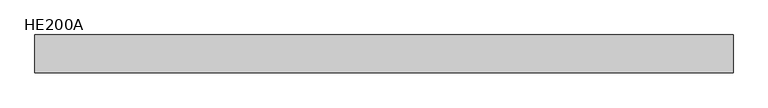
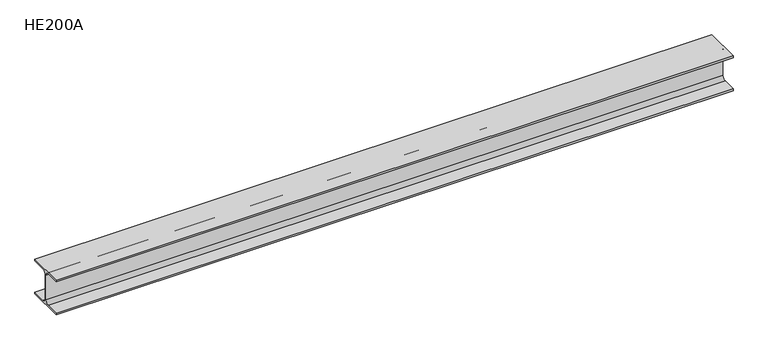
"""IFC4 building model written with IfcOpenShell, lengths in millimetres: beam geometry, HE200A."""

from ifc_helpers import new_model, si_unit, point, frame, frame_2d, origin, place, context, project, spatial, polyline, circle_curve, trimmed, segment, composite_curve, outline, extrude, source, transform, mapped, element, save


def he200a_822789e6(model_context):
    return source(origin(), model_context, "Body", "SweptSolid", [
        extrude(outline(composite_curve([segment(polyline([(100.0, -90.0), (100.0, -100.0), (-100.0, -100.0), (-100.0, -90.0), (-24.0, -90.0)]), True, "CONTINUOUS"), segment(trimmed(circle_curve(frame_2d((-24.0, -70.0)), 20.0), [point((-24.0, -90.0))], [point((-4.0, -70.0))], True, "CARTESIAN"), True, "CONTINUOUS"), segment(polyline([(-4.0, -70.0), (-4.0, 70.0)]), True, "CONTINUOUS"), segment(trimmed(circle_curve(frame_2d((-24.0, 70.0)), 20.0), [point((-4.0, 70.0))], [point((-24.0, 90.0))], True, "CARTESIAN"), True, "CONTINUOUS"), segment(polyline([(-24.0, 90.0), (-100.0, 90.0), (-100.0, 100.0), (100.0, 100.0), (100.0, 90.0), (24.0, 90.0)]), True, "CONTINUOUS"), segment(trimmed(circle_curve(frame_2d((24.0, 70.0)), 20.0), [point((24.0, 90.0))], [point((4.0, 70.0))], True, "CARTESIAN"), True, "CONTINUOUS"), segment(polyline([(4.0, 70.0), (4.0, -70.0)]), True, "CONTINUOUS"), segment(trimmed(circle_curve(frame_2d((24.0, -70.0)), 20.0), [point((4.0, -70.0))], [point((24.0, -90.0))], True, "CARTESIAN"), True, "CONTINUOUS"), segment(polyline([(24.0, -90.0), (100.0, -90.0)]), True, "CONTINUOUS")], self_intersect=False)), frame((-1845.0, 0.0, 0.0), z_axis=(1.0, 0.0, 0.0), x_axis=(0.0, 1.0, 0.0)), (0.0, 0.0, 1.0), 3689.0),
    ])


if __name__ == "__main__":
    model = new_model("IFC4")
    model_context = context("Model", 3, world=origin())
    ifc_project = project(units=[si_unit("LENGTHUNIT", "METRE", prefix="MILLI")], contexts=[model_context])
    site = spatial("IfcSite", under=ifc_project)
    building = spatial("IfcBuilding", under=site)
    placement = place(None, origin())
    he200a_shape = he200a_822789e6(model_context)
    element("IfcBeam", 1, ObjectType="HE200A", at=placement, inside=building, context=model_context, shape_type="MappedRepresentation", body=[
        mapped(he200a_shape, transform((0.0, 0.0, 0.0), x_axis=(1.0, 0.0, 0.0), y_axis=(0.0, 1.0, 0.0), z_axis=(0.0, 0.0, 1.0))),
    ])
    save(model, "model.ifc")
